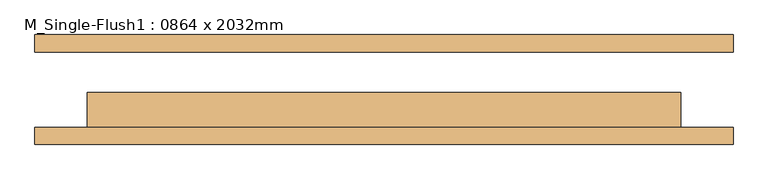
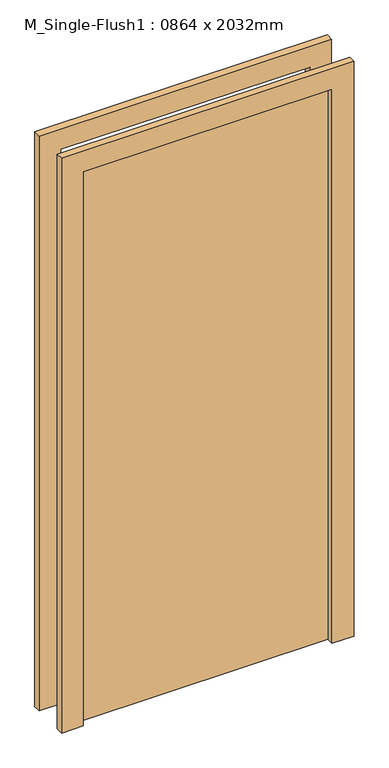
"""IFC4 building model written with IfcOpenShell, lengths in millimetres: door geometry, M_Single-Flush1 : 0864 x 2032mm."""

import ifcopenshell
import ifcopenshell.guid

model = None  # the IFC model being written
_history = None  # IfcOwnerHistory: only IFC2X3 demands one
_inside = {}  # id of a spatial element -> (the spatial element, [elements in it])
_under = {}  # id of a project, library or spatial element -> (it, [spatial elements below it])
_declared = {}  # id of a project -> (the project, [libraries it declares])
_typed = {}  # id of a type object -> (the type object, [elements of that type])
_made_of = {}  # id of a material, layer set ... -> (it, [elements and type objects made of it])


def new_model(schema):
    """Start an empty IFC model of exactly this schema.

    Asked for "IFC4X3", IfcOpenShell would pick the latest addendum, in which some entities
    have other attributes; the version numbers below select the first issue.
    IFC2X3 requires an IfcOwnerHistory on every rooted entity: one is made here for all.
    """
    global model, _history
    if schema == "IFC4X3":
        model = ifcopenshell.file(schema_version=(4, 3, 0, 0))
    else:
        model = ifcopenshell.file(schema=schema)
    _inside.clear()
    _under.clear()
    _declared.clear()
    _typed.clear()
    _made_of.clear()
    _history = None
    if model.schema == "IFC2X3":
        org = make("IfcOrganization", Name="unknown")
        user = make(
            "IfcPersonAndOrganization",
            ThePerson=make("IfcPerson", FamilyName="unknown"),
            TheOrganization=org,
        )
        app = make(
            "IfcApplication",
            ApplicationDeveloper=org,
            Version="unknown",
            ApplicationFullName="unknown",
            ApplicationIdentifier="unknown",
        )
        _history = make(
            "IfcOwnerHistory",
            OwningUser=user,
            OwningApplication=app,
            ChangeAction="ADDED",
            CreationDate=0,
        )
    return model


def make(cls, **values):
    """One entity of the class cls with the attributes given. An attribute that is None is left unset."""
    return model.create_entity(
        cls, **{name: value for name, value in values.items() if value is not None}
    )


def rooted(cls, **values):
    """An entity with a GlobalId (a new one), such as an element, a storey or a relation."""
    return make(cls, GlobalId=ifcopenshell.guid.new(), OwnerHistory=_history, **values)


def si_unit(unit_type, name, prefix=None):
    """IfcSIUnit, for example si_unit("LENGTHUNIT", "METRE", prefix="MILLI")."""
    return make("IfcSIUnit", UnitType=unit_type, Prefix=prefix, Name=name)


def assignment(units):
    """IfcUnitAssignment: the units of a project."""
    return None if units is None else make("IfcUnitAssignment", Units=units)


def point(xyz):
    """IfcCartesianPoint."""
    return None if xyz is None else make("IfcCartesianPoint", Coordinates=xyz)


def direction(xyz):
    """IfcDirection."""
    return None if xyz is None else make("IfcDirection", DirectionRatios=xyz)


def frame(location, z_axis=None, x_axis=None):
    """IfcAxis2Placement3D, a coordinate frame: its origin and axes. An axis left out is left unset."""
    return make(
        "IfcAxis2Placement3D",
        Location=point(location),
        Axis=direction(z_axis),
        RefDirection=direction(x_axis),
    )


def origin():
    """The frame at (0, 0, 0) with its axes left unset."""
    return frame((0.0, 0.0, 0.0))


def origin_with_axes():
    """The frame at (0, 0, 0) with the z axis (0, 0, 1) and the x axis (1, 0, 0) written out."""
    return frame((0.0, 0.0, 0.0), z_axis=(0.0, 0.0, 1.0), x_axis=(1.0, 0.0, 0.0))


def place(relative_to, where):
    """IfcLocalPlacement: puts the frame where relative to a parent placement (None: the world)."""
    return make(
        "IfcLocalPlacement", PlacementRelTo=relative_to, RelativePlacement=where
    )


def context(
    kind, dimensions, precision=None, world=None, true_north=None, identifier=None
):
    """IfcGeometricRepresentationContext, for example the 3D "Model" context."""
    return make(
        "IfcGeometricRepresentationContext",
        ContextIdentifier=identifier,
        ContextType=kind,
        CoordinateSpaceDimension=dimensions,
        Precision=precision,
        WorldCoordinateSystem=world,
        TrueNorth=true_north,
    )


def project(units=None, contexts=None):
    """IfcProject with its units and contexts."""
    return rooted(
        "IfcProject",
        Name="project",
        RepresentationContexts=contexts,
        UnitsInContext=assignment(units),
    )


def spatial(cls, under=None, at=None, **own):
    """A site, building, storey or space (cls), placed at a placement, below another one or the project."""
    s = rooted(cls, ObjectPlacement=at, **own)
    if under is not None:
        _under.setdefault(under.id(), (under, []))[1].append(s)
    return s


def polyline(points):
    """IfcPolyline through the points."""
    return make("IfcPolyline", Points=[point(p) for p in points])


def outline(outer, holes=None, kind="AREA"):
    """IfcArbitraryClosedProfileDef: a profile drawn as a closed curve; with holes, ...WithVoids."""
    if holes is None:
        return make("IfcArbitraryClosedProfileDef", ProfileType=kind, OuterCurve=outer)
    return make(
        "IfcArbitraryProfileDefWithVoids",
        ProfileType=kind,
        OuterCurve=outer,
        InnerCurves=holes,
    )


def extrude(swept, where, along, depth):
    """IfcExtrudedAreaSolid: the profile swept, set in the frame where, extruded along a direction by depth."""
    return make(
        "IfcExtrudedAreaSolid",
        SweptArea=swept,
        Position=where,
        ExtrudedDirection=direction(along),
        Depth=depth,
    )


def shape(context_of_items, identifier, shape_type, items):
    """IfcShapeRepresentation: the items that make up one representation, for example the "Body"."""
    return make(
        "IfcShapeRepresentation",
        ContextOfItems=context_of_items,
        RepresentationIdentifier=identifier,
        RepresentationType=shape_type,
        Items=items,
    )


def source(mapping_origin, context_of_items, identifier, shape_type, items):
    """IfcRepresentationMap: a shape defined once, which mapped items show again and again."""
    return make(
        "IfcRepresentationMap",
        MappingOrigin=mapping_origin,
        MappedRepresentation=shape(context_of_items, identifier, shape_type, items),
    )


def transform(
    local_origin,
    x_axis=None,
    y_axis=None,
    z_axis=None,
    scale=None,
    scale2=None,
    scale3=None,
    uniform=True,
):
    """IfcCartesianTransformationOperator3D, or its non-uniform kind. x_axis, y_axis, z_axis: its Axis1, 2, 3."""
    if uniform:
        return make(
            "IfcCartesianTransformationOperator3D",
            Axis1=direction(x_axis),
            Axis2=direction(y_axis),
            LocalOrigin=point(local_origin),
            Scale=scale,
            Axis3=direction(z_axis),
        )
    return make(
        "IfcCartesianTransformationOperator3DnonUniform",
        Axis1=direction(x_axis),
        Axis2=direction(y_axis),
        LocalOrigin=point(local_origin),
        Scale=scale,
        Axis3=direction(z_axis),
        Scale2=scale2,
        Scale3=scale3,
    )


def mapped(mapping_source, mapping_target):
    """IfcMappedItem: shows the shape of a source again, moved by a transform."""
    return make(
        "IfcMappedItem", MappingSource=mapping_source, MappingTarget=mapping_target
    )


def made_of(thing, what):
    """Note that an element or type object is made of a material, layer set ...; save() writes the relation."""
    if what is not None:
        _made_of.setdefault(what.id(), (what, []))[1].append(thing)
    return thing


def element(
    cls,
    number,
    at=None,
    inside=None,
    cuts=None,
    type_object=None,
    material=None,
    context=None,
    identifier="Body",
    shape_type=None,
    held_by="IfcProductDefinitionShape",
    body=None,
    shapes=None,
    **own,
):
    """One element of the class cls, such as IfcWall. Its Tag is "e" and its number.

    at: its placement. inside: the storey or other place that contains it. cuts: it is an
    opening in that element (IfcRelVoidsElement). A single representation is given by context,
    identifier, shape_type and body (its items); several are given by shapes. held_by: the class
    of the entity that holds the representations. save() writes the other relations.
    """
    e = rooted(cls, Tag="e%d" % number, ObjectPlacement=at, **own)
    if body is not None:
        shapes = [shape(context, identifier, shape_type, body)]
    if shapes is not None:
        e.Representation = make(held_by, Representations=shapes)
    if inside is not None:
        _inside.setdefault(inside.id(), (inside, []))[1].append(e)
    if cuts is not None:
        rooted(
            "IfcRelVoidsElement", RelatingBuildingElement=cuts, RelatedOpeningElement=e
        )
    if type_object is not None:
        _typed.setdefault(type_object.id(), (type_object, []))[1].append(e)
    return made_of(e, material)


def aggregate(whole, parts):
    """IfcRelAggregates: a whole, such as a stair, and the parts it consists of."""
    return rooted("IfcRelAggregates", RelatingObject=whole, RelatedObjects=parts)


def save(model, path):
    """Write the relations noted so far, then the file.

    IfcRelAggregates (storeys below a building ...), IfcRelContainedInSpatialStructure (elements
    in a storey), IfcRelDefinesByType, IfcRelAssociatesMaterial and IfcRelDeclares: one each for
    every whole, place, type object, material and project.
    """
    for whole, parts in _under.values():
        aggregate(whole, parts)
    for where, things in _inside.values():
        rooted(
            "IfcRelContainedInSpatialStructure",
            RelatedElements=things,
            RelatingStructure=where,
        )
    for kind, things in _typed.values():
        rooted("IfcRelDefinesByType", RelatedObjects=things, RelatingType=kind)
    for what, things in _made_of.values():
        rooted("IfcRelAssociatesMaterial", RelatedObjects=things, RelatingMaterial=what)
    for by, libraries in _declared.values():
        rooted("IfcRelDeclares", RelatingContext=by, RelatedDefinitions=libraries)
    model.write(path)


def m_single_flush1_0864_x_2032mm_5635c08d(model_context):
    return source(origin(), model_context, "Body", "SweptSolid", [
        extrude(outline(polyline([(2108.0, -508.0), (0.0, -508.0), (0.0, -432.0), (2032.0, -432.0), (2032.0, 432.0), (0.0, 432.0), (0.0, 508.0), (2108.0, 508.0), (2108.0, -508.0)])), frame((0.0, -80.0, 0.0), z_axis=(0.0, 1.0, 0.0), x_axis=(0.0, 0.0, 1.0)), (0.0, 0.0, 1.0), 25.0),
        extrude(outline(polyline([(2108.0, 508.0), (2108.0, -508.0), (0.0, -508.0), (0.0, -432.0), (2032.0, -432.0), (2032.0, 432.0), (0.0, 432.0), (0.0, 508.0), (2108.0, 508.0)])), frame((0.0, 55.0, 0.0), z_axis=(0.0, 1.0, 0.0), x_axis=(0.0, 0.0, 1.0)), (0.0, 0.0, 1.0), 25.0),
        extrude(outline(polyline([(432.0, -4.0), (432.0, -55.0), (-432.0, -55.0), (-432.0, -4.0), (432.0, -4.0)])), origin_with_axes(), (0.0, 0.0, 1.0), 2032.0),
    ])


if __name__ == "__main__":
    model = new_model("IFC4")
    model_context = context("Model", 3, world=origin())
    ifc_project = project(units=[si_unit("LENGTHUNIT", "METRE", prefix="MILLI")], contexts=[model_context])
    site = spatial("IfcSite", under=ifc_project)
    building = spatial("IfcBuilding", under=site)
    placement = place(None, origin())
    m_single_flush1_0864_x_2032mm_shape = m_single_flush1_0864_x_2032mm_5635c08d(model_context)
    element("IfcDoor", 1, ObjectType="M_Single-Flush1 : 0864 x 2032mm", at=placement, inside=building, context=model_context, shape_type="MappedRepresentation", body=[
        mapped(m_single_flush1_0864_x_2032mm_shape, transform((0.0, 0.0, 0.0), x_axis=(1.0, 0.0, 0.0), y_axis=(0.0, 1.0, 0.0), z_axis=(0.0, 0.0, 1.0))),
    ])
    save(model, "model.ifc")
